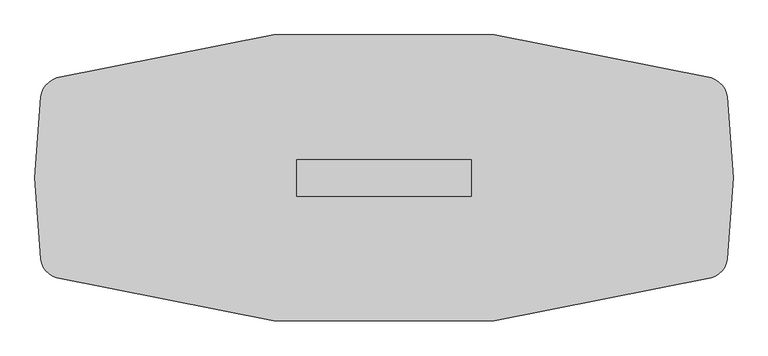
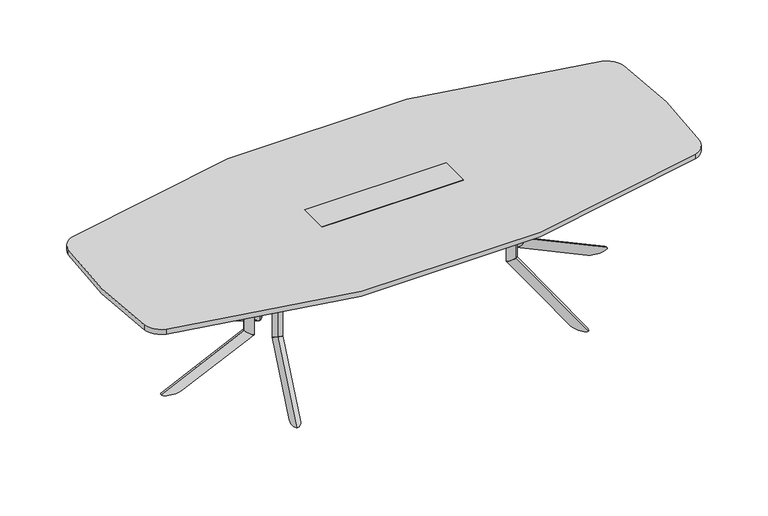
"""IFC4 building model written with IfcOpenShell, lengths in millimetres: furniture geometry."""

from ifc_helpers import new_model, si_unit, point, frame, frame_2d, origin, place, context, project, spatial, polyline, circle_curve, ellipse_curve, trimmed, segment, composite_curve, outline, extrude, faceted_brep, source, transform, mapped, element, save
from ifc_brep_helpers import plane_surface, cylinder_surface, advanced_brep


def furniture_ca33cf07(model_context):
    return source(origin(), model_context, "Body", "SolidModel", [
        advanced_brep(
        [(624.6223919, 75.2941685, 686.003912), (640.6497318, 122.655803, 686.003912), (640.6497318, 122.655803, 209.8373371), (624.6223919, 75.2941685, 177.9838308)],
        [
            (0, 1, circle_curve(frame((632.6360619, 98.9749857, 686.003912), z_axis=(0.0, 0.0, 1.0), x_axis=(0.3205467959798249, 0.9472326808060777, 0.0)), 25.0000002)),
            (1, 0, circle_curve(frame((632.6360619, 98.9749857, 686.003912), z_axis=(0.0, 0.0, 1.0), x_axis=(0.3205467959798249, 0.9472326808060777, 0.0)), 25.0000002)),
            (1, 2),
            (2, 3, ellipse_curve(frame((632.6360619, 98.9749857, 193.910584), z_axis=(-0.17222964099785984, -0.5089476688044559, 0.8433914993526187), x_axis=(0.2703464428741051, 0.7988879909008375, 0.5372995243062679)), 29.6422245, 25.0000002)),
            (3, 0),
            (3, 2, ellipse_curve(frame((632.6360619, 98.9749857, 193.910584), z_axis=(-0.17222964099785984, -0.5089476688044559, 0.8433914993526187), x_axis=(0.2703464428741051, 0.7988879909008375, 0.5372995243062679)), 29.6422245, 25.0000002)),
        ],
        [
            plane_surface(frame((640.6497318, 122.655803, 686.003912), z_axis=(0.0, 0.0, 1.0000000000000002), x_axis=(0.9472326808060777, -0.3205467959798249, 0.0))),
            cylinder_surface(frame((632.6360619, 98.9749857, 171.4949981), z_axis=(0.0, 0.0, 1.0), x_axis=(0.3205467959798249, 0.9472326808060777, 0.0)), 25.0000002),
            plane_surface(frame((706.7881968, 41.2603046, 174.2251154), z_axis=(0.17222964099785987, 0.508947668804456, -0.8433914993526189), x_axis=(-0.9472326808060767, 0.32054679597982794, 0.0))),
        ],
        [
            (0, [[1, 2]]),
            (1, [[3, 4, 5, -2]]),
            (1, [[-5, 6, -3, -1]]),
            (2, [[-6, -4]]),
        ],
    ),
        advanced_brep(
        [(784.8935324, 548.9087623, 0.0), (746.9663703, 436.8270746, 0.0), (624.6203866, 75.2882427, 177.9798453), (640.6497318, 122.6558029, 209.8373371)],
        [
            (0, 1, ellipse_curve(frame((765.930699, 492.8676655, 0.0), z_axis=(0.0, 0.0, 1.0), x_axis=(-0.32054679597982483, -0.9472326808060776, 0.0)), 59.162434, 25.003125)),
            (1, 2),
            (2, 3, ellipse_curve(frame((632.6350592, 98.9720228, 193.9085912), z_axis=(0.17222964099785967, 0.5089476688044554, -0.843391499352619), x_axis=(-0.27034644287410003, -0.7988879909008393, -0.5372995243062673)), 29.6459333, 25.003125)),
            (3, 0),
            (3, 2, ellipse_curve(frame((632.6350592, 98.9720228, 193.9085912), z_axis=(0.17222964099785967, 0.5089476688044554, -0.843391499352619), x_axis=(-0.27034644287410003, -0.7988879909008393, -0.5372995243062673)), 29.6459333, 25.003125)),
            (1, 0, ellipse_curve(frame((765.930699, 492.8676655, 0.0), z_axis=(0.0, 0.0, 1.0), x_axis=(-0.32054679597982483, -0.9472326808060776, 0.0)), 59.162434, 25.003125)),
        ],
        [
            cylinder_surface(frame((781.5078767, 538.8990467, -22.6605205), z_axis=(-0.2905140573061644, -0.858484354750152, 0.42261826174069417), x_axis=(0.13546892972354252, 0.40031782902624236, 0.9063077870366524)), 25.003125),
            plane_surface(frame((709.9905535, 107.1040594, 214.6127246), z_axis=(-0.1722296409978597, -0.5089476688044555, 0.8433914993526193), x_axis=(-0.9472326808060767, 0.3205467959798279, 0.0))),
            plane_surface(frame((790.8451428, 406.9632923, 0.0), z_axis=(0.0, 0.0, -1.0000000000000002), x_axis=(-0.9472326808060768, 0.3205467959798276, 0.0))),
        ],
        [
            (0, [[1, 2, 3, 4]]),
            (0, [[5, -2, 6, -4]]),
            (1, [[-5, -3]]),
            (2, [[-6, -1]]),
        ],
    ),
        extrude(outline(polyline([(0.0, 0.0), (-9.475476, 14.6158843), (381.7231629, 69.2843282), (391.4053704, 0.0), (0.0, 0.0)])), frame((766.8005039, 489.1986462, 670.2172707), z_axis=(-0.9472326808060766, 0.320546795979828, 0.0), x_axis=(-0.3174619360313854, -0.9381167570298226, -0.13840111759322388)), (0.0, 0.0, 1.0), 4.0),
        extrude(outline(polyline([(560.623204, 120.1483939), (697.8259996, 525.589888), (839.9109028, 477.5078683), (702.7081072, 72.0663742), (560.623204, 120.1483939)])), frame((0.0, 0.0, 686.003912), z_axis=(0.0, 0.0, 1.0), x_axis=(1.0, 0.0, 0.0)), (0.0, 0.0, 1.0), 3.9999739),
        advanced_brep(
        [(624.6223919, -75.2941685, 686.003912), (640.6497318, -122.655803, 686.003912), (624.6223919, -75.2941685, 177.9838308), (640.6497318, -122.655803, 209.8373371)],
        [
            (0, 1, circle_curve(frame((632.6360619, -98.9749857, 686.003912), z_axis=(0.0, 0.0, 1.0), x_axis=(0.3205467959798129, -0.9472326808060817, 0.0)), 25.0000002)),
            (1, 0, circle_curve(frame((632.6360619, -98.9749857, 686.003912), z_axis=(0.0, 0.0, 1.0), x_axis=(0.3205467959798129, -0.9472326808060817, 0.0)), 25.0000002)),
            (0, 2),
            (2, 3, ellipse_curve(frame((632.6360619, -98.9749857, 193.910584), z_axis=(-0.17222964099785343, 0.5089476688044581, 0.8433914993526187), x_axis=(0.270346442874095, -0.7988879909008408, 0.5372995243062678)), 29.6422245, 25.0000002)),
            (3, 1),
            (3, 2, ellipse_curve(frame((632.6360619, -98.9749857, 193.910584), z_axis=(-0.17222964099785343, 0.5089476688044581, 0.8433914993526187), x_axis=(0.270346442874095, -0.7988879909008408, 0.5372995243062678)), 29.6422245, 25.0000002)),
        ],
        [
            plane_surface(frame((640.6497318, -122.655803, 686.003912), z_axis=(0.0, 0.0, 1.0), x_axis=(0.9472326808060817, 0.3205467959798129, 0.0))),
            cylinder_surface(frame((632.6360619, -98.9749857, 171.4949981), z_axis=(0.0, 0.0, 1.0), x_axis=(0.3205467959798129, -0.9472326808060817, 0.0)), 25.0000002),
            plane_surface(frame((706.7881968, -41.2603046, 174.2251154), z_axis=(0.17222964099785343, -0.5089476688044581, -0.8433914993526187), x_axis=(-0.9472326808060807, -0.32054679597981595, 0.0))),
        ],
        [
            (0, [[1, 2]]),
            (1, [[-1, 3, 4, 5]]),
            (1, [[-2, -5, 6, -3]]),
            (2, [[-4, -6]]),
        ],
    ),
        advanced_brep(
        [(784.8950232, -548.9082435, 6.4e-06), (640.6497318, -122.6558029, 209.8373371), (624.6203866, -75.2882427, 177.9798453), (746.9663703, -436.8270746, 0.0)],
        [
            (0, 1),
            (1, 2, ellipse_curve(frame((632.6350592, -98.9720228, 193.9085912), z_axis=(0.17222964099785326, -0.5089476688044576, -0.843391499352619), x_axis=(-0.2703464428740898, 0.7988879909008427, -0.5372995243062677)), 29.6459333, 25.003125)),
            (2, 3),
            (3, 0, ellipse_curve(frame((765.930699, -492.8676655, 0.0), z_axis=(0.0, 0.0, 1.0), x_axis=(-0.32054679597981284, 0.9472326808060817, 0.0)), 59.162434, 25.003125)),
            (0, 3, ellipse_curve(frame((765.930699, -492.8676655, 0.0), z_axis=(0.0, 0.0, 1.0), x_axis=(-0.32054679597981284, 0.9472326808060817, 0.0)), 59.162434, 25.003125)),
            (2, 1, ellipse_curve(frame((632.6350592, -98.9720228, 193.9085912), z_axis=(0.17222964099785326, -0.5089476688044576, -0.843391499352619), x_axis=(-0.2703464428740898, 0.7988879909008427, -0.5372995243062677)), 29.6459333, 25.003125)),
        ],
        [
            cylinder_surface(frame((781.5078767, -538.8990467, -22.6605205), z_axis=(-0.29051405730615354, 0.8584843547501557, 0.42261826174069417), x_axis=(0.13546892972353747, -0.400317829026244, 0.9063077870366524)), 25.003125),
            plane_surface(frame((709.9905535, -107.1040594, 214.6127246), z_axis=(-0.17222964099785326, 0.5089476688044576, 0.843391499352619), x_axis=(-0.9472326808060807, -0.3205467959798159, 0.0))),
            plane_surface(frame((790.8451428, -406.9632923, 0.0), z_axis=(0.0, 0.0, -1.0), x_axis=(-0.9472326808060808, -0.3205467959798156, 0.0))),
        ],
        [
            (0, [[1, 2, 3, 4]]),
            (0, [[-1, 5, -3, 6]]),
            (1, [[-2, -6]]),
            (2, [[-4, -5]]),
        ],
    ),
        extrude(outline(polyline([(0.0, 0.0), (9.475476, -14.6158843), (-381.723163, -69.2843282), (-391.4053705, 0.0), (0.0, 0.0)])), frame((763.0115732, -490.4808334, 670.2172707), z_axis=(0.9472326808060806, 0.320546795979816, 0.0), x_axis=(0.31746193603137357, -0.9381167570298267, 0.1384011175932239)), (0.0, 0.0, 1.0), 4.0),
        extrude(outline(polyline([(560.623204, -120.1483939), (702.7081072, -72.0663742), (839.9109028, -477.5078683), (697.8259996, -525.589888), (560.623204, -120.1483939)])), frame((0.0, 0.0, 686.003912), z_axis=(0.0, 0.0, 1.0), x_axis=(1.0, 0.0, 0.0)), (0.0, 0.0, 1.0), 3.9999739),
        advanced_brep(
        [(703.520648, 0.0, 686.4114757), (753.5206484, 0.0, 686.4114757), (703.520648, 0.0, 178.3913945), (753.5206484, 0.0, 210.2449008)],
        [
            (0, 1, circle_curve(frame((728.5206482, 0.0, 686.4114757), z_axis=(0.0, 0.0, 1.0), x_axis=(1.0, 0.0, 0.0)), 25.0000002)),
            (1, 0, circle_curve(frame((728.5206482, 0.0, 686.4114757), z_axis=(0.0, 0.0, 1.0), x_axis=(1.0, 0.0, 0.0)), 25.0000002)),
            (0, 2),
            (2, 3, ellipse_curve(frame((728.5206482, 0.0, 194.3181477), z_axis=(-0.5372995243062679, 0.0, 0.8433914993526187), x_axis=(0.8433914993526187, 0.0, 0.5372995243062678)), 29.6422245, 25.0000002)),
            (3, 1),
            (3, 2, ellipse_curve(frame((728.5206482, 0.0, 194.3181477), z_axis=(-0.5372995243062679, 0.0, 0.8433914993526187), x_axis=(0.8433914993526187, 0.0, 0.5372995243062678)), 29.6422245, 25.0000002)),
        ],
        [
            plane_surface(frame((753.5206484, 0.0, 686.4114757), z_axis=(0.0, 0.0, 1.0), x_axis=(0.0, 1.0, 0.0))),
            cylinder_surface(frame((728.5206482, 0.0, 171.9025618), z_axis=(0.0, 0.0, 1.0), x_axis=(1.0, 0.0, 0.0)), 25.0000002),
            plane_surface(frame((697.6206453, 88.7395816, 174.6326791), z_axis=(0.5372995243062679, 0.0, -0.8433914993526187), x_axis=(0.0, -1.0, 0.0))),
        ],
        [
            (0, [[1, 2]]),
            (1, [[-1, 3, 4, 5]]),
            (1, [[-2, -5, 6, -3]]),
            (2, [[-4, -6]]),
        ],
    ),
        advanced_brep(
        [(1203.5182563, 0.0, 0.4075701), (753.5206484, 0.0, 210.2449008), (703.514392, 0.0, 178.387409), (1085.1934021, 0.0, 0.4075637)],
        [
            (0, 1),
            (1, 2, ellipse_curve(frame((728.5175202, 0.0, 194.3161549), z_axis=(0.5372995243062675, 0.0, -0.843391499352619), x_axis=(-0.843391499352619, 0.0, -0.5372995243062674)), 29.6459333, 25.003125)),
            (2, 3),
            (3, 0, ellipse_curve(frame((1144.355836, 0.0, 0.4075637), z_axis=(0.0, 0.0, 1.0), x_axis=(-1.0, 0.0, 0.0)), 59.162434, 25.003125)),
            (0, 3, ellipse_curve(frame((1144.355836, 0.0, 0.4075637), z_axis=(0.0, 0.0, 1.0), x_axis=(-1.0, 0.0, 0.0)), 59.162434, 25.003125)),
            (2, 1, ellipse_curve(frame((728.5175202, 0.0, 194.3161549), z_axis=(0.5372995243062675, 0.0, -0.843391499352619), x_axis=(-0.843391499352619, 0.0, -0.5372995243062674)), 29.6459333, 25.003125)),
        ],
        [
            cylinder_surface(frame((1192.9514791, 0.0, -22.2529568), z_axis=(-0.9063077870366524, 0.0, 0.42261826174069417), x_axis=(0.42261826174069417, 0.0, 0.9063077870366524)), 25.003125),
            plane_surface(frame((761.0165069, 70.666954, 215.0202883), z_axis=(-0.5372995243062675, 0.0, 0.843391499352619), x_axis=(0.0, -1.0, 0.0))),
            plane_surface(frame((1070.9706514, 51.136147, 0.4075637), z_axis=(0.0, 0.0, -1.0), x_axis=(0.0, -1.0, 0.0))),
        ],
        [
            (0, [[1, 2, 3, 4]]),
            (0, [[-1, 5, -3, 6]]),
            (1, [[-2, -6]]),
            (2, [[-4, -5]]),
        ],
    ),
        extrude(outline(polyline([(670.6248344, 1141.1592342), (686.4114757, 1148.5206659), (686.4114757, 753.5206484), (616.4538937, 753.5206484), (670.6248344, 1141.1592342)])), frame((0.0, -2.0, 0.0), z_axis=(0.0, 1.0, 0.0), x_axis=(0.0, 0.0, 1.0)), (0.0, 0.0, 1.0), 4.0),
        extrude(outline(polyline([(725.4933015, -75.0000006), (725.4933015, 75.0000006), (1153.5206514, 75.0000006), (1153.5206514, -75.0000006), (725.4933015, -75.0000006)])), frame((0.0, 0.0, 686.4114757), z_axis=(0.0, 0.0, 1.0), x_axis=(1.0, 0.0, 0.0)), (0.0, 0.0, 1.0), 3.9999739),
        extrude(outline(composite_curve([segment(trimmed(circle_curve(frame_2d((627.0271514, 0.1720115)), 88.6441382), [point((654.9449789, 84.3051093))], [point((712.0833158, 25.1366295))], False, "CARTESIAN"), True, "CONTINUOUS"), segment(polyline([(712.0833158, 25.1366295), (707.5135834, 23.795379)]), True, "CONTINUOUS"), segment(trimmed(circle_curve(frame_2d((627.0271514, 0.1720115)), 83.8816382), [point((707.5135834, 23.795379))], [point((653.4450641, 79.7849698))], True, "CARTESIAN"), True, "CONTINUOUS"), segment(polyline([(653.4450641, 79.7849698), (654.9449789, 84.3051093)]), True, "CONTINUOUS")], self_intersect=False)), frame((0.0, 0.0, 417.003907), z_axis=(0.0, 0.0, 1.0), x_axis=(1.0, 0.0, 0.0)), (0.0, 0.0, 1.0), 199.4499866),
        extrude(outline(composite_curve([segment(polyline([(654.9449789, -84.3051093), (653.4450641, -79.7849698)]), True, "CONTINUOUS"), segment(trimmed(circle_curve(frame_2d((627.0271514, -0.1720115)), 83.8816382), [point((653.4450641, -79.7849698))], [point((707.5135834, -23.795379))], True, "CARTESIAN"), True, "CONTINUOUS"), segment(polyline([(707.5135834, -23.795379), (712.0833158, -25.1366295)]), True, "CONTINUOUS"), segment(trimmed(circle_curve(frame_2d((627.0271514, -0.1720115)), 88.6441382), [point((712.0833158, -25.1366295))], [point((654.9449789, -84.3051093))], False, "CARTESIAN"), True, "CONTINUOUS")], self_intersect=False)), frame((0.0, 0.0, 417.003907), z_axis=(0.0, 0.0, 1.0), x_axis=(1.0, 0.0, 0.0)), (0.0, 0.0, 1.0), 199.4499866),
        faceted_brep([(381.0, 79.6726562, 721.2210938), (-381.0, 79.6726562, 721.2210938), (-381.0, -79.6726563, 721.2210938), (381.0, -79.6726563, 721.2210938), (381.0, 79.6726562, 718.0460938), (381.0, -79.6726563, 718.0460938), (-381.0, -79.6726563, 718.0460938), (-381.0, 79.6726562, 718.0460938), (377.825, 74.9101562, 718.0460938), (-377.825, 74.9101562, 718.0460938), (-377.825, -74.9101563, 718.0460938), (377.825, -74.9101563, 718.0460938), (377.825, 74.9101562, 648.1960938), (377.825, -74.9101563, 648.1960938), (-377.825, -74.9101563, 648.1960938), (-377.825, 74.9101562, 648.1960938)], [[[0, 1, 2, 3]], [[4, 5, 6, 7], [8, 9, 10, 11]], [[1, 0, 4, 7]], [[2, 1, 7, 6]], [[3, 2, 6, 5]], [[0, 3, 5, 4]], [[12, 13, 14, 15]], [[12, 15, 9, 8]], [[15, 14, 10, 9]], [[14, 13, 11, 10]], [[13, 12, 8, 11]]]),
        advanced_brep(
        [(-624.6223919, -75.2941685, 686.003912), (-640.6497318, -122.655803, 686.003912), (-640.6497318, -122.655803, 209.8373371), (-624.6223919, -75.2941685, 177.9838308)],
        [
            (0, 1, circle_curve(frame((-632.6360619, -98.9749857, 686.003912), z_axis=(0.0, 0.0, 1.0), x_axis=(-0.3205467959798189, -0.9472326808060797, 0.0)), 25.0000002)),
            (1, 0, circle_curve(frame((-632.6360619, -98.9749857, 686.003912), z_axis=(0.0, 0.0, 1.0), x_axis=(-0.3205467959798189, -0.9472326808060797, 0.0)), 25.0000002)),
            (1, 2),
            (2, 3, ellipse_curve(frame((-632.6360619, -98.9749857, 193.910584), z_axis=(0.17222964099785665, 0.508947668804457, 0.8433914993526188), x_axis=(-0.27034644287410003, -0.7988879909008393, 0.5372995243062675)), 29.6422245, 25.0000002)),
            (3, 0),
            (3, 2, ellipse_curve(frame((-632.6360619, -98.9749857, 193.910584), z_axis=(0.17222964099785665, 0.508947668804457, 0.8433914993526188), x_axis=(-0.27034644287410003, -0.7988879909008393, 0.5372995243062675)), 29.6422245, 25.0000002)),
        ],
        [
            plane_surface(frame((-640.6497318, -122.655803, 686.003912), z_axis=(0.0, 0.0, 1.0), x_axis=(-0.9472326808060797, 0.3205467959798189, 0.0))),
            cylinder_surface(frame((-632.6360619, -98.9749857, 171.4949981), z_axis=(0.0, 0.0, 1.0), x_axis=(-0.3205467959798189, -0.9472326808060797, 0.0)), 25.0000002),
            plane_surface(frame((-706.7881968, -41.2603046, 174.2251154), z_axis=(-0.17222964099785665, -0.508947668804457, -0.8433914993526188), x_axis=(0.9472326808060787, -0.32054679597982194, 0.0))),
        ],
        [
            (0, [[1, 2]]),
            (1, [[3, 4, 5, -2]]),
            (1, [[-5, 6, -3, -1]]),
            (2, [[-6, -4]]),
        ],
    ),
        advanced_brep(
        [(-784.8935324, -548.9087623, 0.0), (-746.9663703, -436.8270746, 0.0), (-624.6203866, -75.2882427, 177.9798453), (-640.6497318, -122.6558029, 209.8373371)],
        [
            (0, 1, ellipse_curve(frame((-765.930699, -492.8676655, 0.0), z_axis=(0.0, 0.0, 1.0), x_axis=(0.32054679597981883, 0.9472326808060797, 0.0)), 59.162434, 25.003125)),
            (1, 2),
            (2, 3, ellipse_curve(frame((-632.6350592, -98.9720228, 193.9085912), z_axis=(-0.17222964099785648, -0.5089476688044566, -0.843391499352619), x_axis=(0.2703464428740949, 0.798887990900841, -0.5372995243062678)), 29.6459333, 25.003125)),
            (3, 0),
            (3, 2, ellipse_curve(frame((-632.6350592, -98.9720228, 193.9085912), z_axis=(-0.17222964099785648, -0.5089476688044566, -0.843391499352619), x_axis=(0.2703464428740949, 0.798887990900841, -0.5372995243062678)), 29.6459333, 25.003125)),
            (1, 0, ellipse_curve(frame((-765.930699, -492.8676655, 0.0), z_axis=(0.0, 0.0, 1.0), x_axis=(0.32054679597981883, 0.9472326808060797, 0.0)), 59.162434, 25.003125)),
        ],
        [
            cylinder_surface(frame((-781.5078767, -538.8990467, -22.6605205), z_axis=(0.290514057306159, 0.8584843547501538, 0.42261826174069417), x_axis=(-0.13546892972354, -0.4003178290262432, 0.9063077870366524)), 25.003125),
            plane_surface(frame((-709.9905535, -107.1040594, 214.6127246), z_axis=(0.17222964099785648, 0.5089476688044566, 0.843391499352619), x_axis=(0.9472326808060787, -0.3205467959798219, 0.0))),
            plane_surface(frame((-790.8451428, -406.9632923, 0.0), z_axis=(0.0, 0.0, -1.0000000000000002), x_axis=(0.9472326808060788, -0.3205467959798216, 0.0))),
        ],
        [
            (0, [[1, 2, 3, 4]]),
            (0, [[5, -2, 6, -4]]),
            (1, [[-5, -3]]),
            (2, [[-6, -1]]),
        ],
    ),
        extrude(outline(polyline([(0.0, 0.0), (-391.4053705, 0.0), (-381.723163, 69.2843282), (9.475476, 14.6158843), (0.0, 0.0)])), frame((-763.0115732, -490.4808334, 670.2172707), z_axis=(-0.9472326808060786, 0.320546795979822, 0.0), x_axis=(-0.31746193603137945, -0.9381167570298246, 0.13840111759322388)), (0.0, 0.0, 1.0), 4.0),
        extrude(outline(polyline([(-560.623204, -120.1483939), (-697.8259996, -525.589888), (-839.9109028, -477.5078683), (-702.7081072, -72.0663742), (-560.623204, -120.1483939)])), frame((0.0, 0.0, 686.003912), z_axis=(0.0, 0.0, 1.0), x_axis=(1.0, 0.0, 0.0)), (0.0, 0.0, 1.0), 3.9999739),
        advanced_brep(
        [(-624.6223919, 75.2941685, 686.003912), (-640.6497318, 122.655803, 686.003912), (-624.6223919, 75.2941685, 177.9838308), (-640.6497318, 122.655803, 209.8373371)],
        [
            (0, 1, circle_curve(frame((-632.6360619, 98.9749857, 686.003912), z_axis=(0.0, 0.0, 1.0), x_axis=(-0.3205467959798189, 0.9472326808060797, 0.0)), 25.0000002)),
            (1, 0, circle_curve(frame((-632.6360619, 98.9749857, 686.003912), z_axis=(0.0, 0.0, 1.0), x_axis=(-0.3205467959798189, 0.9472326808060797, 0.0)), 25.0000002)),
            (0, 2),
            (2, 3, ellipse_curve(frame((-632.6360619, 98.9749857, 193.910584), z_axis=(0.17222964099785665, -0.508947668804457, 0.8433914993526188), x_axis=(-0.27034644287410003, 0.7988879909008393, 0.5372995243062675)), 29.6422245, 25.0000002)),
            (3, 1),
            (3, 2, ellipse_curve(frame((-632.6360619, 98.9749857, 193.910584), z_axis=(0.17222964099785665, -0.508947668804457, 0.8433914993526188), x_axis=(-0.27034644287410003, 0.7988879909008393, 0.5372995243062675)), 29.6422245, 25.0000002)),
        ],
        [
            plane_surface(frame((-640.6497318, 122.655803, 686.003912), z_axis=(0.0, 0.0, 1.0), x_axis=(-0.9472326808060797, -0.3205467959798189, 0.0))),
            cylinder_surface(frame((-632.6360619, 98.9749857, 171.4949981), z_axis=(0.0, 0.0, 1.0), x_axis=(-0.3205467959798189, 0.9472326808060797, 0.0)), 25.0000002),
            plane_surface(frame((-706.7881968, 41.2603046, 174.2251154), z_axis=(-0.17222964099785665, 0.508947668804457, -0.8433914993526188), x_axis=(0.9472326808060787, 0.32054679597982194, 0.0))),
        ],
        [
            (0, [[1, 2]]),
            (1, [[-1, 3, 4, 5]]),
            (1, [[-2, -5, 6, -3]]),
            (2, [[-4, -6]]),
        ],
    ),
        advanced_brep(
        [(-784.8950232, 548.9082435, 6.4e-06), (-640.6497318, 122.6558029, 209.8373371), (-624.6203866, 75.2882427, 177.9798453), (-746.9663703, 436.8270746, 0.0)],
        [
            (0, 1),
            (1, 2, ellipse_curve(frame((-632.6350592, 98.9720228, 193.9085912), z_axis=(-0.17222964099785648, 0.5089476688044566, -0.843391499352619), x_axis=(0.2703464428740949, -0.798887990900841, -0.5372995243062678)), 29.6459333, 25.003125)),
            (2, 3),
            (3, 0, ellipse_curve(frame((-765.930699, 492.8676655, 0.0), z_axis=(0.0, 0.0, 1.0), x_axis=(0.32054679597981883, -0.9472326808060797, 0.0)), 59.162434, 25.003125)),
            (0, 3, ellipse_curve(frame((-765.930699, 492.8676655, 0.0), z_axis=(0.0, 0.0, 1.0), x_axis=(0.32054679597981883, -0.9472326808060797, 0.0)), 59.162434, 25.003125)),
            (2, 1, ellipse_curve(frame((-632.6350592, 98.9720228, 193.9085912), z_axis=(-0.17222964099785648, 0.5089476688044566, -0.843391499352619), x_axis=(0.2703464428740949, -0.798887990900841, -0.5372995243062678)), 29.6459333, 25.003125)),
        ],
        [
            cylinder_surface(frame((-781.5078767, 538.8990467, -22.6605205), z_axis=(0.290514057306159, -0.8584843547501538, 0.42261826174069417), x_axis=(-0.13546892972354, 0.4003178290262432, 0.9063077870366524)), 25.003125),
            plane_surface(frame((-709.9905535, 107.1040594, 214.6127246), z_axis=(0.17222964099785648, -0.5089476688044566, 0.843391499352619), x_axis=(0.9472326808060787, 0.3205467959798219, 0.0))),
            plane_surface(frame((-790.8451428, 406.9632923, 0.0), z_axis=(0.0, 0.0, -1.0000000000000002), x_axis=(0.9472326808060788, 0.3205467959798216, 0.0))),
        ],
        [
            (0, [[1, 2, 3, 4]]),
            (0, [[-1, 5, -3, 6]]),
            (1, [[-2, -6]]),
            (2, [[-4, -5]]),
        ],
    ),
        extrude(outline(polyline([(0.0, 0.0), (391.4053704, 0.0), (381.7231629, -69.2843282), (-9.475476, -14.6158843), (0.0, 0.0)])), frame((-766.8005039, 489.1986462, 670.2172707), z_axis=(0.9472326808060786, 0.320546795979822, 0.0), x_axis=(0.31746193603137945, -0.9381167570298246, -0.13840111759322388)), (0.0, 0.0, 1.0), 4.0),
        extrude(outline(polyline([(-560.623204, 120.1483939), (-702.7081072, 72.0663742), (-839.9109028, 477.5078683), (-697.8259996, 525.589888), (-560.623204, 120.1483939)])), frame((0.0, 0.0, 686.003912), z_axis=(0.0, 0.0, 1.0), x_axis=(1.0, 0.0, 0.0)), (0.0, 0.0, 1.0), 3.9999739),
        advanced_brep(
        [(-703.520648, 0.0, 686.4114757), (-753.5206484, 0.0, 686.4114757), (-703.520648, 0.0, 178.3913945), (-753.5206484, 0.0, 210.2449008)],
        [
            (0, 1, circle_curve(frame((-728.5206482, 0.0, 686.4114757), z_axis=(0.0, 0.0, 1.0), x_axis=(-1.0, 0.0, 0.0)), 25.0000002)),
            (1, 0, circle_curve(frame((-728.5206482, 0.0, 686.4114757), z_axis=(0.0, 0.0, 1.0), x_axis=(-1.0, 0.0, 0.0)), 25.0000002)),
            (0, 2),
            (2, 3, ellipse_curve(frame((-728.5206482, 0.0, 194.3181477), z_axis=(0.5372995243062679, 0.0, 0.8433914993526187), x_axis=(-0.8433914993526187, 0.0, 0.5372995243062678)), 29.6422245, 25.0000002)),
            (3, 1),
            (3, 2, ellipse_curve(frame((-728.5206482, 0.0, 194.3181477), z_axis=(0.5372995243062679, 0.0, 0.8433914993526187), x_axis=(-0.8433914993526187, 0.0, 0.5372995243062678)), 29.6422245, 25.0000002)),
        ],
        [
            plane_surface(frame((-753.5206484, 0.0, 686.4114757), z_axis=(0.0, 0.0, 1.0), x_axis=(0.0, -1.0, 0.0))),
            cylinder_surface(frame((-728.5206482, 0.0, 171.9025618), z_axis=(0.0, 0.0, 1.0), x_axis=(-1.0, 0.0, 0.0)), 25.0000002),
            plane_surface(frame((-697.6206453, -88.7395816, 174.6326791), z_axis=(-0.5372995243062679, 0.0, -0.8433914993526187), x_axis=(0.0, 1.0, 0.0))),
        ],
        [
            (0, [[1, 2]]),
            (1, [[-1, 3, 4, 5]]),
            (1, [[-2, -5, 6, -3]]),
            (2, [[-4, -6]]),
        ],
    ),
        advanced_brep(
        [(-1203.5182563, 0.0, 0.4075701), (-753.5206484, 0.0, 210.2449008), (-703.514392, 0.0, 178.387409), (-1085.1934021, 0.0, 0.4075637)],
        [
            (0, 1),
            (1, 2, ellipse_curve(frame((-728.5175202, 0.0, 194.3161549), z_axis=(-0.5372995243062675, 0.0, -0.843391499352619), x_axis=(0.843391499352619, 0.0, -0.5372995243062674)), 29.6459333, 25.003125)),
            (2, 3),
            (3, 0, ellipse_curve(frame((-1144.355836, 0.0, 0.4075637), z_axis=(0.0, 0.0, 1.0), x_axis=(1.0, 0.0, 0.0)), 59.162434, 25.003125)),
            (0, 3, ellipse_curve(frame((-1144.355836, 0.0, 0.4075637), z_axis=(0.0, 0.0, 1.0), x_axis=(1.0, 0.0, 0.0)), 59.162434, 25.003125)),
            (2, 1, ellipse_curve(frame((-728.5175202, 0.0, 194.3161549), z_axis=(-0.5372995243062675, 0.0, -0.843391499352619), x_axis=(0.843391499352619, 0.0, -0.5372995243062674)), 29.6459333, 25.003125)),
        ],
        [
            cylinder_surface(frame((-1192.9514791, 0.0, -22.2529568), z_axis=(0.9063077870366524, 0.0, 0.42261826174069417), x_axis=(-0.42261826174069417, 0.0, 0.9063077870366524)), 25.003125),
            plane_surface(frame((-761.0165069, -70.666954, 215.0202883), z_axis=(0.5372995243062675, 0.0, 0.843391499352619), x_axis=(0.0, 1.0, 0.0))),
            plane_surface(frame((-1070.9706514, -51.136147, 0.4075637), z_axis=(0.0, 0.0, -1.0), x_axis=(0.0, 1.0, 0.0))),
        ],
        [
            (0, [[1, 2, 3, 4]]),
            (0, [[-1, 5, -3, 6]]),
            (1, [[-2, -6]]),
            (2, [[-4, -5]]),
        ],
    ),
        extrude(outline(polyline([(670.6248344, -1141.1592342), (616.4538937, -753.5206484), (686.4114757, -753.5206484), (686.4114757, -1148.5206659), (670.6248344, -1141.1592342)])), frame((0.0, -2.0, 0.0), z_axis=(0.0, 1.0, 0.0), x_axis=(0.0, 0.0, 1.0)), (0.0, 0.0, 1.0), 4.0),
        extrude(outline(polyline([(-725.4933015, 75.0000006), (-725.4933015, -75.0000006), (-1153.5206514, -75.0000006), (-1153.5206514, 75.0000006), (-725.4933015, 75.0000006)])), frame((0.0, 0.0, 686.4114757), z_axis=(0.0, 0.0, 1.0), x_axis=(1.0, 0.0, 0.0)), (0.0, 0.0, 1.0), 3.9999739),
        extrude(outline(composite_curve([segment(trimmed(circle_curve(frame_2d((-627.0271514, -0.1720115)), 88.6441382), [point((-654.9449789, -84.3051093))], [point((-712.0833158, -25.1366295))], False, "CARTESIAN"), True, "CONTINUOUS"), segment(polyline([(-712.0833158, -25.1366295), (-707.5135834, -23.795379)]), True, "CONTINUOUS"), segment(trimmed(circle_curve(frame_2d((-627.0271514, -0.1720115)), 83.8816382), [point((-707.5135834, -23.795379))], [point((-653.4450641, -79.7849698))], True, "CARTESIAN"), True, "CONTINUOUS"), segment(polyline([(-653.4450641, -79.7849698), (-654.9449789, -84.3051093)]), True, "CONTINUOUS")], self_intersect=False)), frame((0.0, 0.0, 417.003907), z_axis=(0.0, 0.0, 1.0), x_axis=(1.0, 0.0, 0.0)), (0.0, 0.0, 1.0), 199.4499866),
        extrude(outline(composite_curve([segment(polyline([(-654.9449789, 84.3051093), (-653.4450641, 79.7849698)]), True, "CONTINUOUS"), segment(trimmed(circle_curve(frame_2d((-627.0271514, 0.1720115)), 83.8816382), [point((-653.4450641, 79.7849698))], [point((-707.5135834, 23.795379))], True, "CARTESIAN"), True, "CONTINUOUS"), segment(polyline([(-707.5135834, 23.795379), (-712.0833158, 25.1366295)]), True, "CONTINUOUS"), segment(trimmed(circle_curve(frame_2d((-627.0271514, 0.1720115)), 88.6441382), [point((-712.0833158, 25.1366295))], [point((-654.9449789, 84.3051093))], False, "CARTESIAN"), True, "CONTINUOUS")], self_intersect=False)), frame((0.0, 0.0, 417.003907), z_axis=(0.0, 0.0, 1.0), x_axis=(1.0, 0.0, 0.0)), (0.0, 0.0, 1.0), 199.4499866),
        extrude(outline(composite_curve([segment(trimmed(circle_curve(frame_2d((-1398.6438224, 338.8835393)), 101.6), [point((-1499.2501416, 353.0584657))], [point((-1428.1023599, 436.1191016))], False, "CARTESIAN"), True, "CONTINUOUS"), segment(trimmed(circle_curve(frame_2d((0.0, -4277.7040482)), 4925.4040482), [point((-1428.1023599, 436.1191016))], [point((1428.1023599, 436.1191016))], False, "CARTESIAN"), True, "CONTINUOUS"), segment(trimmed(circle_curve(frame_2d((1398.6438224, 338.8835393)), 101.6), [point((1428.1023599, 436.1191016))], [point((1499.2501416, 353.0584657))], False, "CARTESIAN"), True, "CONTINUOUS"), segment(trimmed(circle_curve(frame_2d((-1006.576816, 0.0)), 2530.576816), [point((1499.2501416, 353.0584657))], [point((1499.2501416, -353.0584657))], False, "CARTESIAN"), True, "CONTINUOUS"), segment(trimmed(circle_curve(frame_2d((1398.6438224, -338.8835393)), 101.6), [point((1499.2501416, -353.0584657))], [point((1428.1023599, -436.1191016))], False, "CARTESIAN"), True, "CONTINUOUS"), segment(trimmed(circle_curve(frame_2d((0.0, 4277.7040482)), 4925.4040482), [point((1428.1023599, -436.1191016))], [point((-1428.1023599, -436.1191016))], False, "CARTESIAN"), True, "CONTINUOUS"), segment(trimmed(circle_curve(frame_2d((-1398.6438224, -338.8835393)), 101.6), [point((-1428.1023599, -436.1191016))], [point((-1499.2501416, -353.0584657))], False, "CARTESIAN"), True, "CONTINUOUS"), segment(trimmed(circle_curve(frame_2d((1006.576816, 0.0)), 2530.576816), [point((-1499.2501416, -353.0584657))], [point((-1499.2501416, 353.0584657))], False, "CARTESIAN"), True, "CONTINUOUS")], self_intersect=False)), frame((0.0, 0.0, 689.9671875), z_axis=(0.0, 0.0, 1.0), x_axis=(1.0, 0.0, 0.0)), (0.0, 0.0, 1.0), 28.0789063),
        extrude(outline(polyline([(603.25, -88.7586607), (603.25, -95.1086607), (-603.25, -95.1086607), (-603.25, -88.7586607), (603.25, -88.7586607)])), frame((0.0, 0.0, 417.003907), z_axis=(0.0, 0.0, 1.0), x_axis=(1.0, 0.0, 0.0)), (0.0, 0.0, 1.0), 272.9999788),
        extrude(outline(polyline([(603.25, 95.1086607), (603.25, 88.7586607), (-603.25, 88.7586607), (-603.25, 95.1086607), (603.25, 95.1086607)])), frame((0.0, 0.0, 417.003907), z_axis=(0.0, 0.0, 1.0), x_axis=(1.0, 0.0, 0.0)), (0.0, 0.0, 1.0), 272.9999788),
    ])


if __name__ == "__main__":
    model = new_model("IFC4")
    model_context = context("Model", 3, world=origin())
    ifc_project = project(units=[si_unit("LENGTHUNIT", "METRE", prefix="MILLI")], contexts=[model_context])
    site = spatial("IfcSite", under=ifc_project)
    building = spatial("IfcBuilding", under=site)
    placement = place(None, origin())
    furniture_shape = furniture_ca33cf07(model_context)
    element("IfcFurniture", 1, at=placement, inside=building, context=model_context, shape_type="MappedRepresentation", body=[
        mapped(furniture_shape, transform((0.0, 0.0, 0.0), x_axis=(1.0, 0.0, 0.0), y_axis=(0.0, 1.0, 0.0), z_axis=(0.0, 0.0, 1.0))),
    ])
    save(model, "model.ifc")
